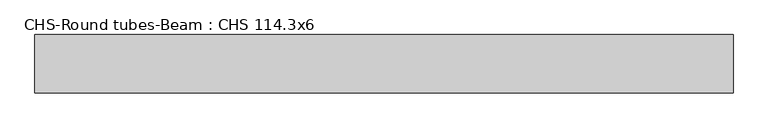
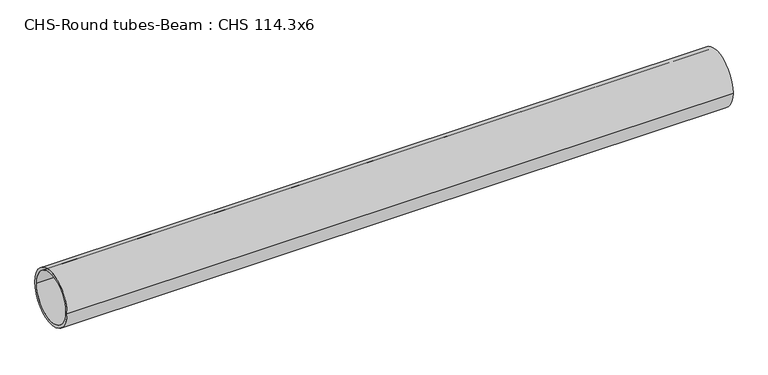
"""IFC4 building model written with IfcOpenShell, lengths in millimetres: beam geometry, CHS-Round tubes-Beam : CHS 114.3x6."""

from ifc_helpers import new_model, si_unit, point, frame, origin, origin_2d, place, context, project, spatial, circle_curve, trimmed, segment, composite_curve, outline, extrude, source, transform, mapped, element, save


def chs_round_tubes_beam_chs_114_3x6_75eb73a5(model_context):
    return source(origin(), model_context, "Body", "SweptSolid", [
        extrude(outline(composite_curve([segment(trimmed(circle_curve(origin_2d(), 57.15), [point((57.15, 0.0))], [point((-57.15, 0.0))], False, "CARTESIAN"), True, "CONTINUOUS"), segment(trimmed(circle_curve(origin_2d(), 57.15), [point((-57.15, 0.0))], [point((57.15, 0.0))], False, "CARTESIAN"), True, "CONTINUOUS")], self_intersect=False), holes=[composite_curve([segment(trimmed(circle_curve(origin_2d(), 51.15), [point((51.15, 0.0))], [point((-51.15, 0.0))], True, "CARTESIAN"), True, "CONTINUOUS"), segment(trimmed(circle_curve(origin_2d(), 51.15), [point((-51.15, 0.0))], [point((51.15, 0.0))], True, "CARTESIAN"), True, "CONTINUOUS")], self_intersect=False)]), frame((-684.5015415, 0.0, 0.0), z_axis=(1.0, 0.0, 0.0), x_axis=(0.0, 1.0, 0.0)), (0.0, 0.0, 1.0), 1369.7655129),
    ])


if __name__ == "__main__":
    model = new_model("IFC4")
    model_context = context("Model", 3, world=origin())
    ifc_project = project(units=[si_unit("LENGTHUNIT", "METRE", prefix="MILLI")], contexts=[model_context])
    site = spatial("IfcSite", under=ifc_project)
    building = spatial("IfcBuilding", under=site)
    placement = place(None, origin())
    chs_round_tubes_beam_chs_114_3x6_shape = chs_round_tubes_beam_chs_114_3x6_75eb73a5(model_context)
    element("IfcBeam", 1, ObjectType="CHS-Round tubes-Beam : CHS 114.3x6", at=placement, inside=building, context=model_context, shape_type="MappedRepresentation", body=[
        mapped(chs_round_tubes_beam_chs_114_3x6_shape, transform((0.0, 0.0, 0.0), x_axis=(1.0, 0.0, 0.0), y_axis=(0.0, 1.0, 0.0), z_axis=(0.0, 0.0, 1.0))),
    ])
    save(model, "model.ifc")
